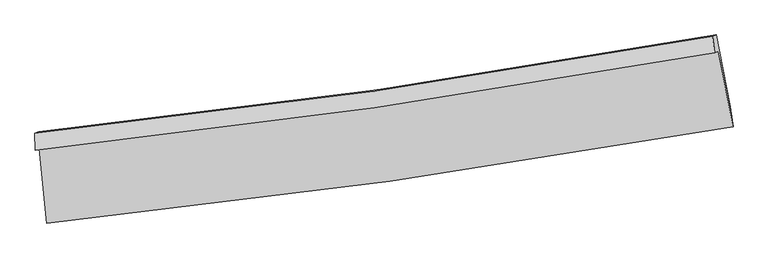
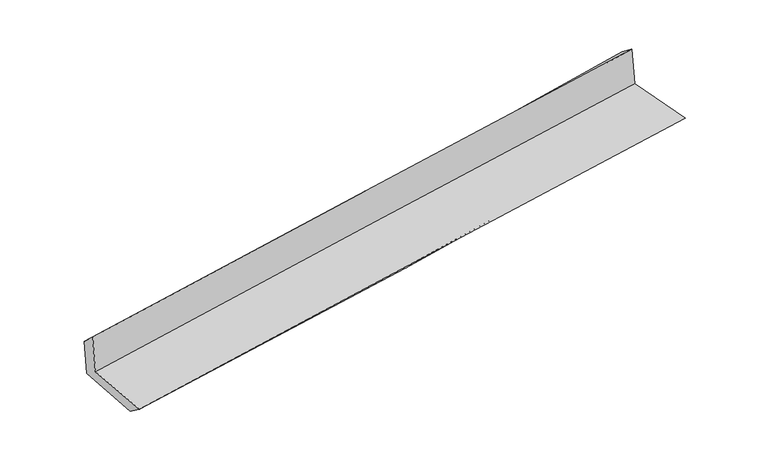
"""IFC4 building model written with IfcOpenShell, lengths in millimetres: proxy geometry."""

from ifc_helpers import new_model, si_unit, frame, origin, place, context, project, spatial, source, transform, mapped, element, save
from ifc_brep_helpers import plane_surface, spline_curve, spline_surface, advanced_brep


def generic_models_ed1ee312(model_context):
    return source(origin(), model_context, "Body", "AdvancedBrep", [
        advanced_brep(
        [(-3026.7650393, -1912.8095904, 1637.3326523), (-2957.7144871, -2571.3691238, 1607.3909947), (3111.5435, -1721.3404684, 2116.7481794), (2982.4008064, -1051.0787732, 2127.6309968), (-3062.0509826, -1926.0562419, 2034.4542072), (2947.1507235, -1064.3119624, 2524.3489645), (-3064.4173928, -1778.3350528, 1898.864602), (2930.0987738, -919.2321499, 2412.2307347), (-3031.8860171, -1766.12249, 1532.7440085), (2961.3955894, -907.4830518, 2060.0043556), (-2962.6686793, -2420.2579367, 1496.1642999), (3088.435647, -1542.5185556, 2000.501148)],
        [
            (0, 1),
            (1, 2, spline_curve(3, [(-2957.7144871, -2571.3691238, 1607.3909947), (-1946.685164425, -2465.22734458, 1727.979653322), (-936.47855216, -2341.50983291, 1830.668018834), (1086.614509273, -2058.317896234, 2000.607482675), (2099.493892928, -1898.692522688, 2067.70484587), (3111.5435, -1721.3404684, 2116.7481794)], [4, 2, 4], [0.0, 10.02193652708602, 20.08681752771976])),
            (2, 3),
            (3, 0, spline_curve(3, [(2982.4008064, -1051.0787732, 2127.6309968), (1980.685638307, -1233.431357954, 2086.468448655), (977.991540892, -1396.53100584, 2024.898089114), (-1025.07207699, -1683.610666372, 1861.291528808), (-2025.43326144, -1807.75462472, 1759.429106595), (-3026.7650393, -1912.8095904, 1637.3326523)], [4, 2, 4], [0.0, 10.06488100063374, 20.08681752771976])),
            (4, 0),
            (3, 5),
            (5, 4, spline_curve(3, [(2947.1507235, -1064.3119624, 2524.3489645), (1945.442665211, -1246.661878388, 2483.106400277), (942.749113758, -1409.761320869, 2421.529894645), (-1060.326513181, -1696.845490104, 2258.058491918), (-2060.700197131, -1820.994140704, 2156.336745343), (-3062.0509826, -1926.0562419, 2034.4542072)], [4, 2, 4], [0.0, 10.016671204874239, 19.990603636029558])),
            (6, 4),
            (5, 7),
            (7, 6, spline_curve(3, [(2930.0987738, -919.2321499, 2412.2307347), (1934.164387238, -1099.796544734, 2329.533329864), (935.580532936, -1261.784078906, 2245.309397306), (-1062.614083681, -1547.993524975, 2074.174354283), (-2062.202284941, -1672.373625497, 1987.276242517), (-3064.4173928, -1778.3350528, 1898.864602)], [4, 2, 4], [0.0, 10.004288813407381, 19.965891685839992])),
            (8, 6),
            (7, 9),
            (9, 8, spline_curve(3, [(2961.3955894, -907.4830518, 2060.0043556), (1965.800051084, -1087.920239966, 1973.493421236), (967.48857931, -1249.805519382, 1886.203993424), (-1030.295083452, -1535.860689931, 1710.443915228), (-2029.744147009, -1660.188556804, 1621.979894133), (-3031.8860171, -1766.12249, 1532.7440085)], [4, 2, 4], [0.0, 9.992849800702125, 19.94306246799894])),
            (10, 8),
            (9, 11),
            (11, 10, spline_curve(3, [(3088.435647, -1542.5185556, 2000.501148), (2083.593942666, -1733.862723727, 1927.045233447), (1075.830086243, -1902.788308627, 1848.187828647), (-941.229572002, -2195.17720075, 1680.029550189), (-1950.500491149, -2318.831409787, 1590.774672597), (-2962.6686793, -2420.2579367, 1496.1642999)], [4, 2, 4], [0.0, 10.040758033435344, 20.038674520334887])),
            (1, 10),
            (11, 2),
        ],
        [
            spline_surface(3, 3, [[(-3026.7650393, -1912.8095904, 1637.3326523), (-2025.433261327, -1807.7546246, 1759.429106674), (-1025.072076945, -1683.610666475, 1861.291528662), (977.991540846, -1396.531005737, 2024.89808926), (1980.685638383, -1233.431358099, 2086.468448792), (2982.4008064, -1051.0787732, 2127.6309968)], [(-3003.748188573, -2132.329434881, 1627.352099769), (-1999.18389569, -2026.912197955, 1748.945955613), (-995.540902028, -1902.910388623, 1851.083692015), (1014.199197001, -1617.126635886, 2016.801220453), (2020.288389859, -1455.185079644, 2080.213914484), (3025.44837093, -1274.499338249, 2124.003391005)], [(-2980.731337827, -2351.849279319, 1617.371547231), (-1972.934530035, -2246.069771267, 1738.462804545), (-966.009727113, -2122.210110791, 1840.875855343), (1050.406853155, -1837.722266055, 2008.704351622), (2059.891141345, -1676.938801242, 2073.95938016), (3068.49593547, -1497.919903351, 2120.375785195)], [(-2957.7144871, -2571.3691238, 1607.3909947), (-1946.685164399, -2465.227344623, 1727.979653485), (-936.478552197, -2341.50983294, 1830.668018695), (1086.61450931, -2058.317896204, 2000.607482815), (2099.493892821, -1898.692522788, 2067.704845852), (3111.5435, -1721.3404684, 2116.7481794)]], [4, 4], [4, 2, 4], [0.0, 2.1907782230827264], [0.0, 10.02193652708602, 20.08681752771976]),
            spline_surface(3, 3, [[(-3062.0509826, -1926.0562419, 2034.4542072), (-2060.700197262, -1820.994140569, 2156.336745397), (-1060.326513293, -1696.845490067, 2258.058492023), (942.74911387, -1409.761320906, 2421.529894539), (1945.442665259, -1246.661878227, 2483.106400345), (2947.1507235, -1064.3119624, 2524.3489645)], [(-3050.289001488, -1921.64069138, 1902.080355555), (-2048.944551939, -1816.580968559, 2024.034199144), (-1048.575034505, -1692.433882211, 2125.802837559), (954.496589534, -1405.351215858, 2289.31929277), (1957.190322965, -1242.251704838, 2350.893749805), (2958.900751131, -1059.900899321, 2392.109641911)], [(-3038.527020412, -1917.22514092, 1769.706503945), (-2037.18890665, -1812.16779661, 1891.731652927), (-1036.823555733, -1688.022274331, 1993.547183126), (966.244065182, -1400.941110785, 2157.10869103), (1968.937980677, -1237.841531487, 2218.681099332), (2970.650778769, -1055.489836279, 2259.870319389)], [(-3026.7650393, -1912.8095904, 1637.3326523), (-2025.433261327, -1807.7546246, 1759.429106674), (-1025.072076945, -1683.610666475, 1861.291528662), (977.991540846, -1396.531005737, 2024.89808926), (1980.685638383, -1233.431358099, 2086.468448792), (2982.4008064, -1051.0787732, 2127.6309968)]], [4, 4], [4, 2, 4], [0.0, 1.3073549001024223], [0.0, 9.973932431155319, 19.990603636029558]),
            spline_surface(3, 3, [[(-3064.4173928, -1778.3350528, 1898.864602), (-2062.202285045, -1672.373625486, 1987.276242455), (-1062.614083681, -1547.993525102, 2074.174354241), (935.580532935, -1261.784078779, 2245.309397348), (1934.16438708, -1099.796544854, 2329.533329799), (2930.0987738, -919.2321499, 2412.2307347)], [(-3063.628589408, -1827.575449169, 1944.061137071), (-2061.701589126, -1721.913797183, 2043.62974344), (-1061.85156023, -1597.610846735, 2135.469066837), (937.970059902, -1311.109826133, 2304.04956308), (1937.923813123, -1148.751655984, 2380.724353321), (2935.782757017, -967.592087406, 2449.603477974)], [(-3062.839785992, -1876.815845531, 1989.257672129), (-2061.200893182, -1771.453968872, 2099.983244412), (-1061.089036744, -1647.228168433, 2196.763779428), (940.359586903, -1360.435573552, 2362.789728808), (1941.683239216, -1197.706767097, 2431.915376823), (2941.466740283, -1015.952024894, 2486.976221226)], [(-3062.0509826, -1926.0562419, 2034.4542072), (-2060.700197262, -1820.994140569, 2156.336745397), (-1060.326513293, -1696.845490067, 2258.058492023), (942.74911387, -1409.761320906, 2421.529894539), (1945.442665259, -1246.661878227, 2483.106400345), (2947.1507235, -1064.3119624, 2524.3489645)]], [4, 4], [4, 2, 4], [0.0, 0.7656501561820603], [0.0, 9.96160287243261, 19.965891685839992]),
            spline_surface(3, 3, [[(-3031.8860171, -1766.12249, 1532.7440085), (-2029.744147042, -1660.188556757, 1621.979894116), (-1030.295083338, -1535.860689941, 1710.443915255), (967.488579196, -1249.805519373, 1886.203993397), (1965.800051025, -1087.920240123, 1973.493421323), (2961.3955894, -907.4830518, 2060.0043556)], [(-3042.729809011, -1770.193344268, 1654.784206329), (-2040.563526388, -1664.250246335, 1743.745343558), (-1041.068083444, -1539.904968346, 1831.687394922), (956.852563784, -1253.798372527, 2005.905794719), (1955.254829727, -1091.879008374, 2092.173390825), (2950.963317551, -911.39941784, 2177.413148643)], [(-3053.573600889, -1774.264198532, 1776.824404171), (-2051.3829057, -1668.311935908, 1865.510793013), (-1051.841083576, -1543.949246696, 1952.930874574), (946.216548347, -1257.791225624, 2125.607596026), (1944.709608378, -1095.837776604, 2210.853360297), (2940.531045649, -915.31578386, 2294.821941657)], [(-3064.4173928, -1778.3350528, 1898.864602), (-2062.202285045, -1672.373625486, 1987.276242455), (-1062.614083681, -1547.993525102, 2074.174354241), (935.580532935, -1261.784078779, 2245.309397348), (1934.16438708, -1099.796544854, 2329.533329799), (2930.0987738, -919.2321499, 2412.2307347)]], [4, 4], [4, 2, 4], [0.0, 1.1910502301859052], [0.0, 9.950212667296814, 19.94306246799894]),
            spline_surface(3, 3, [[(-2962.6686793, -2420.2579367, 1496.1642999), (-1950.500491105, -2318.831409687, 1590.774672655), (-941.229572133, -2195.177200801, 1680.029550347), (1075.830086374, -1902.788308575, 1848.187828489), (2083.593942829, -1733.862723772, 1927.045233485), (3088.435647, -1542.5185556, 2000.501148)], [(-2985.741125223, -2202.212787799, 1508.357536109), (-1976.915043073, -2099.283792043, 1601.176413151), (-970.918075874, -1975.405030495, 1690.167671968), (1039.716250643, -1685.127378822, 1860.859883444), (2044.329312218, -1518.548562559, 1942.527962751), (3046.088961124, -1330.840054336, 2020.33555052)], [(-3008.813571177, -1984.167638901, 1520.550772291), (-2003.329595074, -1879.736174402, 1611.57815362), (-1000.606579598, -1755.632860247, 1700.305793633), (1003.602414927, -1467.466449126, 1873.531938443), (2005.064681635, -1303.234401336, 1958.010692057), (3003.742275276, -1119.161553064, 2040.16995308)], [(-3031.8860171, -1766.12249, 1532.7440085), (-2029.744147042, -1660.188556757, 1621.979894116), (-1030.295083338, -1535.860689941, 1710.443915255), (967.488579196, -1249.805519373, 1886.203993397), (1965.800051025, -1087.920240123, 1973.493421323), (2961.3955894, -907.4830518, 2060.0043556)]], [4, 4], [4, 2, 4], [0.0, 2.179813443542946], [0.0, 9.997916486899543, 20.038674520334887]),
            spline_surface(3, 3, [[(-2957.7144871, -2571.3691238, 1607.3909947), (-1946.685164399, -2465.227344623, 1727.979653485), (-936.478552197, -2341.50983294, 1830.668018695), (1086.61450931, -2058.317896204, 2000.607482815), (2099.493892821, -1898.692522788, 2067.704845852), (3111.5435, -1721.3404684, 2116.7481794)], [(-2959.365884496, -2520.998728103, 1570.315429767), (-1947.956939964, -2416.428699647, 1682.244659876), (-938.062225507, -2292.732288914, 1780.455195922), (1083.019701667, -2006.474700349, 1949.800931383), (2094.193909504, -1843.749256464, 2020.81830841), (3103.840882347, -1661.733164148, 2077.999168947)], [(-2961.017281904, -2470.628332397, 1533.239864833), (-1949.22871554, -2367.630054663, 1636.509666265), (-939.645898823, -2243.954744826, 1730.24237312), (1079.424894017, -1954.631504431, 1898.994379921), (2088.893926146, -1788.805990096, 1973.931770927), (3096.138264653, -1602.125859852, 2039.250158453)], [(-2962.6686793, -2420.2579367, 1496.1642999), (-1950.500491105, -2318.831409687, 1590.774672655), (-941.229572133, -2195.177200801, 1680.029550347), (1075.830086374, -1902.788308575, 1848.187828489), (2083.593942829, -1733.862723772, 1927.045233485), (3088.435647, -1542.5185556, 2000.501148)]], [4, 4], [4, 2, 4], [0.0, 0.7021982452911689], [0.0, 10.057622849024575, 20.158343089179652]),
            plane_surface(frame((3003.5041733, -1200.9941602, 2206.9107298), z_axis=(0.9779517707029303, 0.18691476714078845, 0.09313003813865903), x_axis=(-0.0884567587074872, -0.03320744041467499, 0.9955263269949576))),
            plane_surface(frame((-3017.5837664, -2062.4917393, 1701.1584608), z_axis=(-0.9908106585543723, -0.09973345515003364, -0.09136452713656164), x_axis=(-0.10417280478062946, 0.9935328762335242, 0.04517134697214336))),
        ],
        [
            (0, [[1, 2, 3, 4]]),
            (1, [[5, -4, 6, 7]]),
            (2, [[8, -7, 9, 10]]),
            (3, [[11, -10, 12, 13]]),
            (4, [[14, -13, 15, 16]]),
            (5, [[17, -16, 18, -2]]),
            (6, [[-12, -9, -6, -3, -18, -15]]),
            (7, [[-1, -5, -8, -11, -14, -17]]),
        ],
    ),
    ])


if __name__ == "__main__":
    model = new_model("IFC4")
    model_context = context("Model", 3, world=origin())
    ifc_project = project(units=[si_unit("LENGTHUNIT", "METRE", prefix="MILLI")], contexts=[model_context])
    site = spatial("IfcSite", under=ifc_project)
    building = spatial("IfcBuilding", under=site)
    placement = place(None, origin())
    generic_models_shape = generic_models_ed1ee312(model_context)
    element("IfcBuildingElementProxy", 1, Name="Generic Models", at=placement, inside=building, context=model_context, shape_type="MappedRepresentation", body=[
        mapped(generic_models_shape, transform((0.0, 0.0, 0.0), x_axis=(1.0, 0.0, 0.0), y_axis=(0.0, 1.0, 0.0), z_axis=(0.0, 0.0, 1.0))),
    ])
    save(model, "model.ifc")
